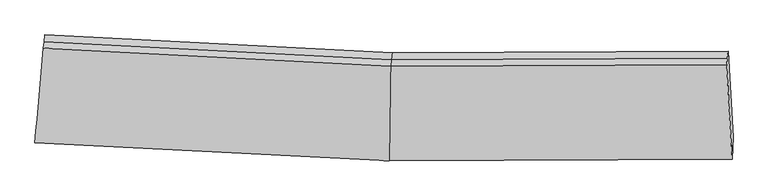
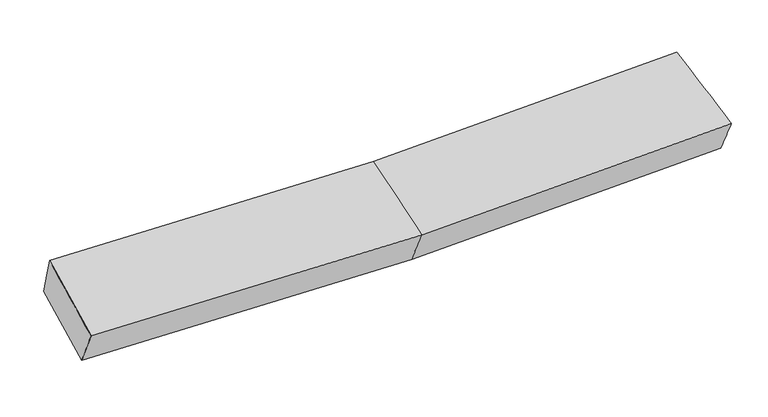
"""IFC4 building model written with IfcOpenShell, lengths in millimetres: proxy geometry."""

from ifc_helpers import new_model, si_unit, frame, origin, place, context, project, spatial, source, transform, mapped, element, save
from ifc_brep_helpers import plane_surface, spline_surface, advanced_brep


def generic_models_3fe1112d(model_context):
    return source(origin(), model_context, "Body", "AdvancedBrep", [
        advanced_brep(
        [(-2750.2490085, -1943.427811, 2027.9458042), (-2733.3561864, -1773.0104228, 1698.1010735), (22.8967735, -1916.1983674, 1739.5656466), (11.0370237, -2086.8982601, 2069.4836561), (-2673.5075699, -1104.791005, 1897.8533017), (32.4146681, -1245.153904, 1938.5850874), (-2679.1856863, -1158.7174017, 2079.9513597), (26.7365517, -1299.0803008, 2120.6831454), (-2684.4155304, -1208.3864513, 2247.6732553), (21.5067077, -1348.7493504, 2288.4050409), (2645.1873589, -1287.425105, 2190.1313935), (2639.9575148, -1337.0941546, 2357.853289), (2683.0450274, -2074.608194, 2140.7899156), (2690.0359412, -1903.9660168, 1810.702996), (2650.8654753, -1233.4987083, 2008.0333355)],
        [
            (0, 1),
            (1, 2),
            (2, 3),
            (3, 0),
            (1, 4),
            (4, 5),
            (5, 1),
            (4, 6),
            (6, 7),
            (7, 5),
            (6, 8),
            (8, 9),
            (9, 7),
            (8, 0),
            (3, 9),
            (10, 11),
            (11, 12),
            (12, 13),
            (13, 14),
            (14, 10),
            (5, 2),
            (9, 11),
            (10, 7),
            (3, 12),
            (2, 13),
            (5, 14),
        ],
        [
            spline_surface(1, 1, [[(-2750.2490085, -1943.427811, 2027.9458042), (11.0370237, -2086.8982601, 2069.4836561)], [(-2733.3561864, -1773.0104228, 1698.1010735), (22.8967735, -1916.1983674, 1739.5656466)]], [2, 2], [2, 2], [0.0, 1.0], [0.0, 1.0]),
            plane_surface(frame((-2703.4318782, -1438.9007139, 1797.9771876), z_axis=(0.029152893365001997, 0.28388955437977026, -0.9584137048907976), x_axis=(0.08549802357030788, 0.9545991683940876, 0.2853603260211335))),
            plane_surface(frame((-2676.3466281, -1131.7542033, 1988.9023307), z_axis=(0.045376676876507115, 0.957465331550303, 0.2849580602034511), x_axis=(-0.029884823028644824, -0.2838231406853617, 0.9584108316186979))),
            plane_surface(frame((-2681.8006083, -1183.5519265, 2163.8123075), z_axis=(0.04537667687651122, 0.9574653315503293, 0.2849580602033623), x_axis=(-0.02988482302874003, -0.28382314068526776, 0.9584108316187228))),
            spline_surface(1, 1, [[(-2684.4155304, -1208.3864513, 2247.6732553), (21.5067077, -1348.7493504, 2288.4050409)], [(-2750.2490085, -1943.427811, 2027.9458042), (11.0370237, -2086.8982601, 2069.4836561)]], [2, 2], [2, 2], [0.0, 1.0], [0.0, 1.0]),
            plane_surface(frame((2665.9759897, -1637.2917684, 2079.344884), z_axis=(0.9979857819707643, 0.04520602371433846, 0.04450611648010874), x_axis=(-0.029884823028665956, -0.2838231406853281, 0.9584108316187071))),
            plane_surface(frame((-2710.3820738, -1507.4039225, 1967.8933587), z_axis=(-0.9958900468014092, 0.09047017471433472, -0.004261709638728423), x_axis=(0.08549802357030284, 0.9545991683940886, 0.28536032602113154))),
            plane_surface(frame((-2733.3561864, -1773.0104228, 1698.1010735), z_axis=(0.029163902321125257, 0.28383859515501786, -0.9584284630069321), x_axis=(0.013596992276726158, 0.9586349477319733, 0.284313486820347))),
            plane_surface(frame((24.1216297, -1323.9148256, 2204.5440931), z_axis=(-0.0117897308357457, 0.9588724879405839, 0.28359223211762274), x_axis=(-0.029884823028691773, -0.2838231406853159, 0.95841083161871))),
            spline_surface(1, 1, [[(21.5067077, -1348.7493504, 2288.4050409), (2639.9575148, -1337.0941546, 2357.853289)], [(11.0370237, -2086.8982601, 2069.4836561), (2683.0450274, -2074.608194, 2140.7899156)]], [2, 2], [2, 2], [0.0, 1.0], [0.0, 1.0]),
            spline_surface(1, 1, [[(11.0370237, -2086.8982601, 2069.4836561), (2683.0450274, -2074.608194, 2140.7899156)], [(22.8967735, -1916.1983674, 1739.5656466), (2690.0359412, -1903.9660168, 1810.702996)]], [2, 2], [2, 2], [0.0, 1.0], [0.0, 1.0]),
            spline_surface(1, 1, [[(22.8967735, -1916.1983674, 1739.5656466), (2690.0359412, -1903.9660168, 1810.702996)], [(32.4146681, -1245.153904, 1938.5850874), (2650.8654753, -1233.4987083, 2008.0333355)]], [2, 2], [2, 2], [0.0, 1.0], [0.0, 1.0]),
            plane_surface(frame((29.5756099, -1272.1171024, 2029.6341164), z_axis=(-0.01178973083574719, 0.9588724879405769, 0.28359223211764634), x_axis=(-0.02988482302864218, -0.2838231406853394, 0.9584108316187046))),
        ],
        [
            (0, [[1, 2, 3, 4]]),
            (1, [[5, 6, 7]]),
            (2, [[8, 9, 10, -6]]),
            (3, [[11, 12, 13, -9]]),
            (4, [[14, -4, 15, -12]]),
            (5, [[16, 17, 18, 19, 20]]),
            (6, [[-14, -11, -8, -5, -1]]),
            (7, [[21, -2, -7]]),
            (8, [[-13, 22, -16, 23]]),
            (9, [[-15, 24, -17, -22]]),
            (10, [[-3, 25, -18, -24]]),
            (11, [[-21, 26, -19, -25]]),
            (12, [[-10, -23, -20, -26]]),
        ],
    ),
    ])


if __name__ == "__main__":
    model = new_model("IFC4")
    model_context = context("Model", 3, world=origin())
    ifc_project = project(units=[si_unit("LENGTHUNIT", "METRE", prefix="MILLI")], contexts=[model_context])
    site = spatial("IfcSite", under=ifc_project)
    building = spatial("IfcBuilding", under=site)
    placement = place(None, origin())
    generic_models_shape = generic_models_3fe1112d(model_context)
    element("IfcBuildingElementProxy", 1, Name="Generic Models", at=placement, inside=building, context=model_context, shape_type="MappedRepresentation", body=[
        mapped(generic_models_shape, transform((0.0, 0.0, 0.0), x_axis=(1.0, 0.0, 0.0), y_axis=(0.0, 1.0, 0.0), z_axis=(0.0, 0.0, 1.0))),
    ])
    save(model, "model.ifc")
